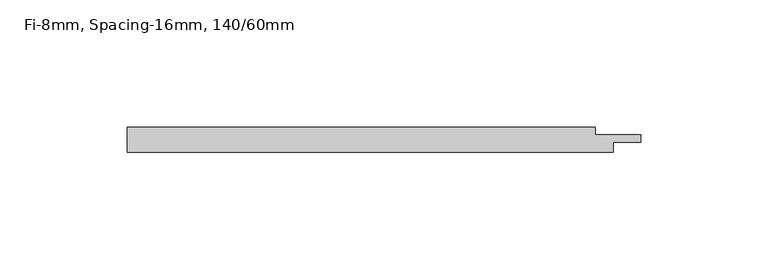
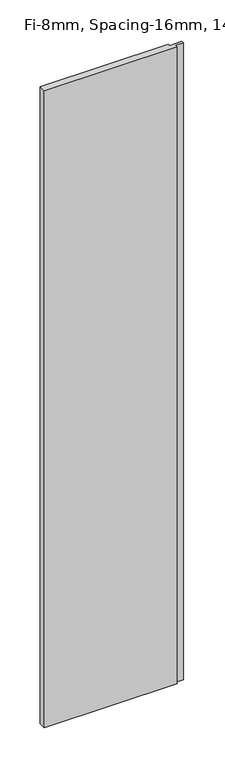
"""IFC4 building model written with IfcOpenShell, lengths in millimetres: plate geometry, Fi-8mm, Spacing-16mm, 140/60mm."""

from ifc_helpers import new_model, si_unit, origin, origin_with_axes, place, context, project, spatial, polyline, outline, extrude, source, transform, mapped, element, save


def fi_8mm_spacing_16mm_140_60mm_7866aa84(model_context):
    return source(origin(), model_context, "Body", "SweptSolid", [
        extrude(outline(polyline([(-95.65, -5.0), (-95.65, 5.0), (88.65, 5.0), (88.65, 2.0), (106.65, 2.0), (106.65, -1.0), (95.65, -1.0), (95.65, -5.0), (-95.65, -5.0)])), origin_with_axes(), (0.0, 0.0, 1.0), 966.8),
    ])


if __name__ == "__main__":
    model = new_model("IFC4")
    model_context = context("Model", 3, world=origin())
    ifc_project = project(units=[si_unit("LENGTHUNIT", "METRE", prefix="MILLI")], contexts=[model_context])
    site = spatial("IfcSite", under=ifc_project)
    building = spatial("IfcBuilding", under=site)
    placement = place(None, origin())
    fi_8mm_spacing_16mm_140_60mm_shape = fi_8mm_spacing_16mm_140_60mm_7866aa84(model_context)
    element("IfcPlate", 1, ObjectType="Fi-8mm, Spacing-16mm, 140/60mm", at=placement, inside=building, context=model_context, shape_type="MappedRepresentation", body=[
        mapped(fi_8mm_spacing_16mm_140_60mm_shape, transform((0.0, 0.0, 0.0), x_axis=(1.0, 0.0, 0.0), y_axis=(0.0, 1.0, 0.0), z_axis=(0.0, 0.0, 1.0))),
    ])
    save(model, "model.ifc")
